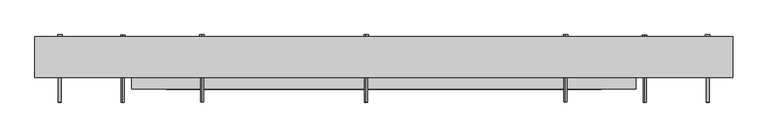
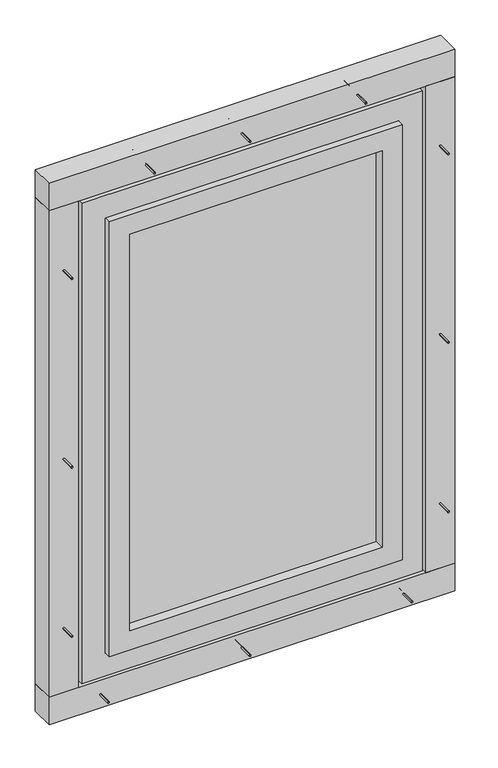
"""IFC4 building model written with IfcOpenShell, lengths in millimetres: proxy geometry."""

from ifc_helpers import new_model, si_unit, point, frame, frame_2d, origin, origin_with_axes, place, context, project, spatial, polyline, circle_curve, trimmed, segment, composite_curve, outline, extrude, source, transform, mapped, element, save


def generic_models_b8a904a8(model_context):
    return source(origin(), model_context, "Body", "SweptSolid", [
        extrude(outline(polyline([(-245.0, -35.0), (-245.0, -25.0), (495.0, -25.0), (495.0, -35.0), (-245.0, -35.0)])), frame((0.0, 0.0, 225.0), z_axis=(0.0, 0.0, 1.0), x_axis=(1.0, 0.0, 0.0)), (0.0, 0.0, 1.0), 1230.0),
        extrude(outline(polyline([(165.0, 555.0), (1515.0, 555.0), (1515.0, -305.0), (165.0, -305.0), (165.0, 555.0)]), holes=[polyline([(1455.0, 495.0), (225.0, 495.0), (225.0, -245.0), (1455.0, -245.0), (1455.0, 495.0)])]), frame((0.0, -65.0, 0.0), z_axis=(0.0, 1.0, 0.0), x_axis=(0.0, 0.0, 1.0)), (0.0, 0.0, 1.0), 70.0),
        extrude(outline(polyline([(95.0, 625.0), (1585.0, 625.0), (1585.0, -375.0), (95.0, -375.0), (95.0, 625.0)]), holes=[polyline([(1515.0, 555.0), (165.0, 555.0), (165.0, -305.0), (1515.0, -305.0), (1515.0, 555.0)])]), frame((0.0, -45.0, 0.0), z_axis=(0.0, 1.0, 0.0), x_axis=(0.0, 0.0, 1.0)), (0.0, 0.0, 1.0), 70.0),
        extrude(outline(composite_curve([segment(trimmed(circle_curve(frame_2d((125.0, -10.0)), 2.4700592), [point((125.0, -12.4700592))], [point((125.0, -7.5299408))], False, "CARTESIAN"), True, "CONTINUOUS"), segment(trimmed(circle_curve(frame_2d((125.0, -10.0)), 2.4700592), [point((125.0, -7.5299408))], [point((125.0, -12.4700592))], False, "CARTESIAN"), True, "CONTINUOUS")], self_intersect=False)), frame((0.0, 0.0, 25.0), z_axis=(0.0, 0.0, 1.0), x_axis=(1.0, 0.0, 0.0)), (0.0, 0.0, 1.0), 140.0),
        extrude(outline(composite_curve([segment(trimmed(circle_curve(frame_2d((125.0, -10.0)), 3.8), [point((125.0, -13.8))], [point((125.0, -6.2))], False, "CARTESIAN"), True, "CONTINUOUS"), segment(trimmed(circle_curve(frame_2d((125.0, -10.0)), 3.8), [point((125.0, -6.2))], [point((125.0, -13.8))], False, "CARTESIAN"), True, "CONTINUOUS")], self_intersect=False)), frame((0.0, 0.0, 165.0), z_axis=(0.0, 0.0, 1.0), x_axis=(1.0, 0.0, 0.0)), (0.0, 0.0, 1.0), 3.0),
        extrude(outline(composite_curve([segment(trimmed(circle_curve(frame_2d((42.5, 95.0)), 2.4700592), [point((44.9700592, 95.0))], [point((40.0299408, 95.0))], False, "CARTESIAN"), True, "CONTINUOUS"), segment(trimmed(circle_curve(frame_2d((42.5, 95.0)), 2.4700592), [point((40.0299408, 95.0))], [point((44.9700592, 95.0))], False, "CARTESIAN"), True, "CONTINUOUS")], self_intersect=False)), frame((0.0, -87.0, 0.0), z_axis=(0.0, 1.0, 0.0), x_axis=(0.0, 0.0, 1.0)), (0.0, 0.0, 1.0), 112.0),
        extrude(outline(composite_curve([segment(trimmed(circle_curve(frame_2d((42.5, 95.0)), 3.8), [point((46.3, 95.0))], [point((38.7, 95.0))], False, "CARTESIAN"), True, "CONTINUOUS"), segment(trimmed(circle_curve(frame_2d((42.5, 95.0)), 3.8), [point((38.7, 95.0))], [point((46.3, 95.0))], False, "CARTESIAN"), True, "CONTINUOUS")], self_intersect=False)), frame((0.0, 25.0, 0.0), z_axis=(0.0, 1.0, 0.0), x_axis=(0.0, 0.0, 1.0)), (0.0, 0.0, 1.0), 3.0),
        extrude(outline(composite_curve([segment(trimmed(circle_curve(frame_2d((42.5, -320.0)), 2.4700592), [point((44.9700592, -320.0))], [point((40.0299408, -320.0))], False, "CARTESIAN"), True, "CONTINUOUS"), segment(trimmed(circle_curve(frame_2d((42.5, -320.0)), 2.4700592), [point((40.0299408, -320.0))], [point((44.9700592, -320.0))], False, "CARTESIAN"), True, "CONTINUOUS")], self_intersect=False)), frame((0.0, -87.0, 0.0), z_axis=(0.0, 1.0, 0.0), x_axis=(0.0, 0.0, 1.0)), (0.0, 0.0, 1.0), 112.0),
        extrude(outline(composite_curve([segment(trimmed(circle_curve(frame_2d((42.5, -320.0)), 3.8), [point((46.3, -320.0))], [point((38.7, -320.0))], False, "CARTESIAN"), True, "CONTINUOUS"), segment(trimmed(circle_curve(frame_2d((42.5, -320.0)), 3.8), [point((38.7, -320.0))], [point((46.3, -320.0))], False, "CARTESIAN"), True, "CONTINUOUS")], self_intersect=False)), frame((0.0, 25.0, 0.0), z_axis=(0.0, 1.0, 0.0), x_axis=(0.0, 0.0, 1.0)), (0.0, 0.0, 1.0), 3.0),
        extrude(outline(composite_curve([segment(trimmed(circle_curve(frame_2d((42.5, 570.0)), 2.4700592), [point((44.9700592, 570.0))], [point((40.0299408, 570.0))], False, "CARTESIAN"), True, "CONTINUOUS"), segment(trimmed(circle_curve(frame_2d((42.5, 570.0)), 2.4700592), [point((40.0299408, 570.0))], [point((44.9700592, 570.0))], False, "CARTESIAN"), True, "CONTINUOUS")], self_intersect=False)), frame((0.0, -87.0, 0.0), z_axis=(0.0, 1.0, 0.0), x_axis=(0.0, 0.0, 1.0)), (0.0, 0.0, 1.0), 112.0),
        extrude(outline(composite_curve([segment(trimmed(circle_curve(frame_2d((42.5, 570.0)), 3.8), [point((46.3, 570.0))], [point((38.7, 570.0))], False, "CARTESIAN"), True, "CONTINUOUS"), segment(trimmed(circle_curve(frame_2d((42.5, 570.0)), 3.8), [point((38.7, 570.0))], [point((46.3, 570.0))], False, "CARTESIAN"), True, "CONTINUOUS")], self_intersect=False)), frame((0.0, 25.0, 0.0), z_axis=(0.0, 1.0, 0.0), x_axis=(0.0, 0.0, 1.0)), (0.0, 0.0, 1.0), 3.0),
        extrude(outline(polyline([(720.0, -45.0), (-470.0, -45.0), (-470.0, 25.0), (720.0, 25.0), (720.0, -45.0)])), origin_with_axes(), (0.0, 0.0, 1.0), 85.0),
        extrude(outline(composite_curve([segment(trimmed(circle_curve(frame_2d((-10.0, 315.0)), 2.4700592), [point((-12.4700592, 315.0))], [point((-7.5299408, 315.0))], False, "CARTESIAN"), True, "CONTINUOUS"), segment(trimmed(circle_curve(frame_2d((-10.0, 315.0)), 2.4700592), [point((-7.5299408, 315.0))], [point((-12.4700592, 315.0))], False, "CARTESIAN"), True, "CONTINUOUS")], self_intersect=False)), frame((-445.0, 0.0, 0.0), z_axis=(1.0, 0.0, 0.0), x_axis=(0.0, 1.0, 0.0)), (0.0, 0.0, 1.0), 140.0),
        extrude(outline(composite_curve([segment(trimmed(circle_curve(frame_2d((-10.0, 315.0)), 3.8), [point((-13.8, 315.0))], [point((-6.2, 315.0))], False, "CARTESIAN"), True, "CONTINUOUS"), segment(trimmed(circle_curve(frame_2d((-10.0, 315.0)), 3.8), [point((-6.2, 315.0))], [point((-13.8, 315.0))], False, "CARTESIAN"), True, "CONTINUOUS")], self_intersect=False)), frame((-305.0, 0.0, 0.0), z_axis=(1.0, 0.0, 0.0), x_axis=(0.0, 1.0, 0.0)), (0.0, 0.0, 1.0), 3.0),
        extrude(outline(composite_curve([segment(trimmed(circle_curve(frame_2d((-10.0, 1365.0)), 2.4700592), [point((-12.4700592, 1365.0))], [point((-7.5299408, 1365.0))], False, "CARTESIAN"), True, "CONTINUOUS"), segment(trimmed(circle_curve(frame_2d((-10.0, 1365.0)), 2.4700592), [point((-7.5299408, 1365.0))], [point((-12.4700592, 1365.0))], False, "CARTESIAN"), True, "CONTINUOUS")], self_intersect=False)), frame((-445.0, 0.0, 0.0), z_axis=(1.0, 0.0, 0.0), x_axis=(0.0, 1.0, 0.0)), (0.0, 0.0, 1.0), 140.0),
        extrude(outline(composite_curve([segment(trimmed(circle_curve(frame_2d((-10.0, 1365.0)), 3.8), [point((-13.8, 1365.0))], [point((-6.2, 1365.0))], False, "CARTESIAN"), True, "CONTINUOUS"), segment(trimmed(circle_curve(frame_2d((-10.0, 1365.0)), 3.8), [point((-6.2, 1365.0))], [point((-13.8, 1365.0))], False, "CARTESIAN"), True, "CONTINUOUS")], self_intersect=False)), frame((-305.0, 0.0, 0.0), z_axis=(1.0, 0.0, 0.0), x_axis=(0.0, 1.0, 0.0)), (0.0, 0.0, 1.0), 3.0),
        extrude(outline(composite_curve([segment(trimmed(circle_curve(frame_2d((810.0, -427.5)), 2.4700592), [point((810.0, -429.9700592))], [point((810.0, -425.0299408))], False, "CARTESIAN"), True, "CONTINUOUS"), segment(trimmed(circle_curve(frame_2d((810.0, -427.5)), 2.4700592), [point((810.0, -425.0299408))], [point((810.0, -429.9700592))], False, "CARTESIAN"), True, "CONTINUOUS")], self_intersect=False)), frame((0.0, -87.0, 0.0), z_axis=(0.0, 1.0, 0.0), x_axis=(0.0, 0.0, 1.0)), (0.0, 0.0, 1.0), 112.0),
        extrude(outline(composite_curve([segment(trimmed(circle_curve(frame_2d((810.0, -427.5)), 3.8), [point((810.0, -431.3))], [point((810.0, -423.7))], False, "CARTESIAN"), True, "CONTINUOUS"), segment(trimmed(circle_curve(frame_2d((810.0, -427.5)), 3.8), [point((810.0, -423.7))], [point((810.0, -431.3))], False, "CARTESIAN"), True, "CONTINUOUS")], self_intersect=False)), frame((0.0, 25.0, 0.0), z_axis=(0.0, 1.0, 0.0), x_axis=(0.0, 0.0, 1.0)), (0.0, 0.0, 1.0), 3.0),
        extrude(outline(composite_curve([segment(trimmed(circle_curve(frame_2d((-10.0, 840.0)), 2.4700592), [point((-12.4700592, 840.0))], [point((-7.5299408, 840.0))], False, "CARTESIAN"), True, "CONTINUOUS"), segment(trimmed(circle_curve(frame_2d((-10.0, 840.0)), 2.4700592), [point((-7.5299408, 840.0))], [point((-12.4700592, 840.0))], False, "CARTESIAN"), True, "CONTINUOUS")], self_intersect=False)), frame((-445.0, 0.0, 0.0), z_axis=(1.0, 0.0, 0.0), x_axis=(0.0, 1.0, 0.0)), (0.0, 0.0, 1.0), 140.0),
        extrude(outline(composite_curve([segment(trimmed(circle_curve(frame_2d((-10.0, 840.0)), 3.8), [point((-13.8, 840.0))], [point((-6.2, 840.0))], False, "CARTESIAN"), True, "CONTINUOUS"), segment(trimmed(circle_curve(frame_2d((-10.0, 840.0)), 3.8), [point((-6.2, 840.0))], [point((-13.8, 840.0))], False, "CARTESIAN"), True, "CONTINUOUS")], self_intersect=False)), frame((-305.0, 0.0, 0.0), z_axis=(1.0, 0.0, 0.0), x_axis=(0.0, 1.0, 0.0)), (0.0, 0.0, 1.0), 3.0),
        extrude(outline(composite_curve([segment(trimmed(circle_curve(frame_2d((1395.0, -427.5)), 2.4700592), [point((1395.0, -429.9700592))], [point((1395.0, -425.0299408))], False, "CARTESIAN"), True, "CONTINUOUS"), segment(trimmed(circle_curve(frame_2d((1395.0, -427.5)), 2.4700592), [point((1395.0, -425.0299408))], [point((1395.0, -429.9700592))], False, "CARTESIAN"), True, "CONTINUOUS")], self_intersect=False)), frame((0.0, -87.0, 0.0), z_axis=(0.0, 1.0, 0.0), x_axis=(0.0, 0.0, 1.0)), (0.0, 0.0, 1.0), 112.0),
        extrude(outline(composite_curve([segment(trimmed(circle_curve(frame_2d((1395.0, -427.5)), 3.8), [point((1395.0, -431.3))], [point((1395.0, -423.7))], False, "CARTESIAN"), True, "CONTINUOUS"), segment(trimmed(circle_curve(frame_2d((1395.0, -427.5)), 3.8), [point((1395.0, -423.7))], [point((1395.0, -431.3))], False, "CARTESIAN"), True, "CONTINUOUS")], self_intersect=False)), frame((0.0, 25.0, 0.0), z_axis=(0.0, 1.0, 0.0), x_axis=(0.0, 0.0, 1.0)), (0.0, 0.0, 1.0), 3.0),
        extrude(outline(composite_curve([segment(trimmed(circle_curve(frame_2d((285.0, -427.5)), 2.4700592), [point((285.0, -429.9700592))], [point((285.0, -425.0299408))], False, "CARTESIAN"), True, "CONTINUOUS"), segment(trimmed(circle_curve(frame_2d((285.0, -427.5)), 2.4700592), [point((285.0, -425.0299408))], [point((285.0, -429.9700592))], False, "CARTESIAN"), True, "CONTINUOUS")], self_intersect=False)), frame((0.0, -87.0, 0.0), z_axis=(0.0, 1.0, 0.0), x_axis=(0.0, 0.0, 1.0)), (0.0, 0.0, 1.0), 112.0),
        extrude(outline(composite_curve([segment(trimmed(circle_curve(frame_2d((285.0, -427.5)), 3.8), [point((285.0, -431.3))], [point((285.0, -423.7))], False, "CARTESIAN"), True, "CONTINUOUS"), segment(trimmed(circle_curve(frame_2d((285.0, -427.5)), 3.8), [point((285.0, -423.7))], [point((285.0, -431.3))], False, "CARTESIAN"), True, "CONTINUOUS")], self_intersect=False)), frame((0.0, 25.0, 0.0), z_axis=(0.0, 1.0, 0.0), x_axis=(0.0, 0.0, 1.0)), (0.0, 0.0, 1.0), 3.0),
        extrude(outline(polyline([(-470.0, -45.0), (-470.0, 25.0), (-385.0, 25.0), (-385.0, -45.0), (-470.0, -45.0)])), frame((0.0, 0.0, 85.0), z_axis=(0.0, 0.0, 1.0), x_axis=(1.0, 0.0, 0.0)), (0.0, 0.0, 1.0), 1510.0),
        extrude(outline(composite_curve([segment(trimmed(circle_curve(frame_2d((-10.0, 315.0)), 2.4700592), [point((-12.4700592, 315.0))], [point((-7.5299408, 315.0))], False, "CARTESIAN"), True, "CONTINUOUS"), segment(trimmed(circle_curve(frame_2d((-10.0, 315.0)), 2.4700592), [point((-7.5299408, 315.0))], [point((-12.4700592, 315.0))], False, "CARTESIAN"), True, "CONTINUOUS")], self_intersect=False)), frame((555.0, 0.0, 0.0), z_axis=(1.0, 0.0, 0.0), x_axis=(0.0, 1.0, 0.0)), (0.0, 0.0, 1.0), 140.0),
        extrude(outline(composite_curve([segment(trimmed(circle_curve(frame_2d((-10.0, 315.0)), 3.8), [point((-13.8, 315.0))], [point((-6.2, 315.0))], False, "CARTESIAN"), True, "CONTINUOUS"), segment(trimmed(circle_curve(frame_2d((-10.0, 315.0)), 3.8), [point((-6.2, 315.0))], [point((-13.8, 315.0))], False, "CARTESIAN"), True, "CONTINUOUS")], self_intersect=False)), frame((552.0, 0.0, 0.0), z_axis=(1.0, 0.0, 0.0), x_axis=(0.0, 1.0, 0.0)), (0.0, 0.0, 1.0), 3.0),
        extrude(outline(composite_curve([segment(trimmed(circle_curve(frame_2d((-10.0, 1365.0)), 2.4700592), [point((-12.4700592, 1365.0))], [point((-7.5299408, 1365.0))], False, "CARTESIAN"), True, "CONTINUOUS"), segment(trimmed(circle_curve(frame_2d((-10.0, 1365.0)), 2.4700592), [point((-7.5299408, 1365.0))], [point((-12.4700592, 1365.0))], False, "CARTESIAN"), True, "CONTINUOUS")], self_intersect=False)), frame((555.0, 0.0, 0.0), z_axis=(1.0, 0.0, 0.0), x_axis=(0.0, 1.0, 0.0)), (0.0, 0.0, 1.0), 140.0),
        extrude(outline(composite_curve([segment(trimmed(circle_curve(frame_2d((-10.0, 1365.0)), 3.8), [point((-13.8, 1365.0))], [point((-6.2, 1365.0))], False, "CARTESIAN"), True, "CONTINUOUS"), segment(trimmed(circle_curve(frame_2d((-10.0, 1365.0)), 3.8), [point((-6.2, 1365.0))], [point((-13.8, 1365.0))], False, "CARTESIAN"), True, "CONTINUOUS")], self_intersect=False)), frame((552.0, 0.0, 0.0), z_axis=(1.0, 0.0, 0.0), x_axis=(0.0, 1.0, 0.0)), (0.0, 0.0, 1.0), 3.0),
        extrude(outline(composite_curve([segment(trimmed(circle_curve(frame_2d((810.0, 677.5)), 2.4700592), [point((810.0, 679.9700592))], [point((810.0, 675.0299408))], False, "CARTESIAN"), True, "CONTINUOUS"), segment(trimmed(circle_curve(frame_2d((810.0, 677.5)), 2.4700592), [point((810.0, 675.0299408))], [point((810.0, 679.9700592))], False, "CARTESIAN"), True, "CONTINUOUS")], self_intersect=False)), frame((0.0, -87.0, 0.0), z_axis=(0.0, 1.0, 0.0), x_axis=(0.0, 0.0, 1.0)), (0.0, 0.0, 1.0), 112.0),
        extrude(outline(composite_curve([segment(trimmed(circle_curve(frame_2d((810.0, 677.5)), 3.8), [point((810.0, 681.3))], [point((810.0, 673.7))], False, "CARTESIAN"), True, "CONTINUOUS"), segment(trimmed(circle_curve(frame_2d((810.0, 677.5)), 3.8), [point((810.0, 673.7))], [point((810.0, 681.3))], False, "CARTESIAN"), True, "CONTINUOUS")], self_intersect=False)), frame((0.0, 25.0, 0.0), z_axis=(0.0, 1.0, 0.0), x_axis=(0.0, 0.0, 1.0)), (0.0, 0.0, 1.0), 3.0),
        extrude(outline(composite_curve([segment(trimmed(circle_curve(frame_2d((-10.0, 840.0)), 2.4700592), [point((-12.4700592, 840.0))], [point((-7.5299408, 840.0))], False, "CARTESIAN"), True, "CONTINUOUS"), segment(trimmed(circle_curve(frame_2d((-10.0, 840.0)), 2.4700592), [point((-7.5299408, 840.0))], [point((-12.4700592, 840.0))], False, "CARTESIAN"), True, "CONTINUOUS")], self_intersect=False)), frame((555.0, 0.0, 0.0), z_axis=(1.0, 0.0, 0.0), x_axis=(0.0, 1.0, 0.0)), (0.0, 0.0, 1.0), 140.0),
        extrude(outline(composite_curve([segment(trimmed(circle_curve(frame_2d((-10.0, 840.0)), 3.8), [point((-13.8, 840.0))], [point((-6.2, 840.0))], False, "CARTESIAN"), True, "CONTINUOUS"), segment(trimmed(circle_curve(frame_2d((-10.0, 840.0)), 3.8), [point((-6.2, 840.0))], [point((-13.8, 840.0))], False, "CARTESIAN"), True, "CONTINUOUS")], self_intersect=False)), frame((552.0, 0.0, 0.0), z_axis=(1.0, 0.0, 0.0), x_axis=(0.0, 1.0, 0.0)), (0.0, 0.0, 1.0), 3.0),
        extrude(outline(composite_curve([segment(trimmed(circle_curve(frame_2d((1395.0, 677.5)), 2.4700592), [point((1395.0, 679.9700592))], [point((1395.0, 675.0299408))], False, "CARTESIAN"), True, "CONTINUOUS"), segment(trimmed(circle_curve(frame_2d((1395.0, 677.5)), 2.4700592), [point((1395.0, 675.0299408))], [point((1395.0, 679.9700592))], False, "CARTESIAN"), True, "CONTINUOUS")], self_intersect=False)), frame((0.0, -87.0, 0.0), z_axis=(0.0, 1.0, 0.0), x_axis=(0.0, 0.0, 1.0)), (0.0, 0.0, 1.0), 112.0),
        extrude(outline(composite_curve([segment(trimmed(circle_curve(frame_2d((1395.0, 677.5)), 3.8), [point((1395.0, 681.3))], [point((1395.0, 673.7))], False, "CARTESIAN"), True, "CONTINUOUS"), segment(trimmed(circle_curve(frame_2d((1395.0, 677.5)), 3.8), [point((1395.0, 673.7))], [point((1395.0, 681.3))], False, "CARTESIAN"), True, "CONTINUOUS")], self_intersect=False)), frame((0.0, 25.0, 0.0), z_axis=(0.0, 1.0, 0.0), x_axis=(0.0, 0.0, 1.0)), (0.0, 0.0, 1.0), 3.0),
        extrude(outline(composite_curve([segment(trimmed(circle_curve(frame_2d((285.0, 677.5)), 2.4700592), [point((285.0, 679.9700592))], [point((285.0, 675.0299408))], False, "CARTESIAN"), True, "CONTINUOUS"), segment(trimmed(circle_curve(frame_2d((285.0, 677.5)), 2.4700592), [point((285.0, 675.0299408))], [point((285.0, 679.9700592))], False, "CARTESIAN"), True, "CONTINUOUS")], self_intersect=False)), frame((0.0, -87.0, 0.0), z_axis=(0.0, 1.0, 0.0), x_axis=(0.0, 0.0, 1.0)), (0.0, 0.0, 1.0), 112.0),
        extrude(outline(composite_curve([segment(trimmed(circle_curve(frame_2d((285.0, 677.5)), 3.8), [point((285.0, 681.3))], [point((285.0, 673.7))], False, "CARTESIAN"), True, "CONTINUOUS"), segment(trimmed(circle_curve(frame_2d((285.0, 677.5)), 3.8), [point((285.0, 673.7))], [point((285.0, 681.3))], False, "CARTESIAN"), True, "CONTINUOUS")], self_intersect=False)), frame((0.0, 25.0, 0.0), z_axis=(0.0, 1.0, 0.0), x_axis=(0.0, 0.0, 1.0)), (0.0, 0.0, 1.0), 3.0),
        extrude(outline(polyline([(720.0, -45.0), (635.0, -45.0), (635.0, 25.0), (720.0, 25.0), (720.0, -45.0)])), frame((0.0, 0.0, 85.0), z_axis=(0.0, 0.0, 1.0), x_axis=(1.0, 0.0, 0.0)), (0.0, 0.0, 1.0), 1510.0),
        extrude(outline(composite_curve([segment(trimmed(circle_curve(frame_2d((1637.5, 95.0)), 2.4700592), [point((1639.9700592, 95.0))], [point((1635.0299408, 95.0))], False, "CARTESIAN"), True, "CONTINUOUS"), segment(trimmed(circle_curve(frame_2d((1637.5, 95.0)), 2.4700592), [point((1635.0299408, 95.0))], [point((1639.9700592, 95.0))], False, "CARTESIAN"), True, "CONTINUOUS")], self_intersect=False)), frame((0.0, -87.0, 0.0), z_axis=(0.0, 1.0, 0.0), x_axis=(0.0, 0.0, 1.0)), (0.0, 0.0, 1.0), 112.0),
        extrude(outline(composite_curve([segment(trimmed(circle_curve(frame_2d((1637.5, 95.0)), 3.8), [point((1641.3, 95.0))], [point((1633.7, 95.0))], False, "CARTESIAN"), True, "CONTINUOUS"), segment(trimmed(circle_curve(frame_2d((1637.5, 95.0)), 3.8), [point((1633.7, 95.0))], [point((1641.3, 95.0))], False, "CARTESIAN"), True, "CONTINUOUS")], self_intersect=False)), frame((0.0, 25.0, 0.0), z_axis=(0.0, 1.0, 0.0), x_axis=(0.0, 0.0, 1.0)), (0.0, 0.0, 1.0), 3.0),
        extrude(outline(composite_curve([segment(trimmed(circle_curve(frame_2d((125.0, -10.0)), 2.4700592), [point((125.0, -12.4700592))], [point((125.0, -7.5299408))], False, "CARTESIAN"), True, "CONTINUOUS"), segment(trimmed(circle_curve(frame_2d((125.0, -10.0)), 2.4700592), [point((125.0, -7.5299408))], [point((125.0, -12.4700592))], False, "CARTESIAN"), True, "CONTINUOUS")], self_intersect=False)), frame((0.0, 0.0, 1515.0), z_axis=(0.0, 0.0, 1.0), x_axis=(1.0, 0.0, 0.0)), (0.0, 0.0, 1.0), 140.0),
        extrude(outline(composite_curve([segment(trimmed(circle_curve(frame_2d((125.0, -10.0)), 3.8), [point((125.0, -13.8))], [point((125.0, -6.2))], False, "CARTESIAN"), True, "CONTINUOUS"), segment(trimmed(circle_curve(frame_2d((125.0, -10.0)), 3.8), [point((125.0, -6.2))], [point((125.0, -13.8))], False, "CARTESIAN"), True, "CONTINUOUS")], self_intersect=False)), frame((0.0, 0.0, 1512.0), z_axis=(0.0, 0.0, 1.0), x_axis=(1.0, 0.0, 0.0)), (0.0, 0.0, 1.0), 3.0),
        extrude(outline(composite_curve([segment(trimmed(circle_curve(frame_2d((1637.5, -185.0)), 2.4700592), [point((1639.9700592, -185.0))], [point((1635.0299408, -185.0))], False, "CARTESIAN"), True, "CONTINUOUS"), segment(trimmed(circle_curve(frame_2d((1637.5, -185.0)), 2.4700592), [point((1635.0299408, -185.0))], [point((1639.9700592, -185.0))], False, "CARTESIAN"), True, "CONTINUOUS")], self_intersect=False)), frame((0.0, -87.0, 0.0), z_axis=(0.0, 1.0, 0.0), x_axis=(0.0, 0.0, 1.0)), (0.0, 0.0, 1.0), 112.0),
        extrude(outline(composite_curve([segment(trimmed(circle_curve(frame_2d((1637.5, -185.0)), 3.8), [point((1641.3, -185.0))], [point((1633.7, -185.0))], False, "CARTESIAN"), True, "CONTINUOUS"), segment(trimmed(circle_curve(frame_2d((1637.5, -185.0)), 3.8), [point((1633.7, -185.0))], [point((1641.3, -185.0))], False, "CARTESIAN"), True, "CONTINUOUS")], self_intersect=False)), frame((0.0, 25.0, 0.0), z_axis=(0.0, 1.0, 0.0), x_axis=(0.0, 0.0, 1.0)), (0.0, 0.0, 1.0), 3.0),
        extrude(outline(composite_curve([segment(trimmed(circle_curve(frame_2d((1637.5, 435.0)), 2.4700592), [point((1639.9700592, 435.0))], [point((1635.0299408, 435.0))], False, "CARTESIAN"), True, "CONTINUOUS"), segment(trimmed(circle_curve(frame_2d((1637.5, 435.0)), 2.4700592), [point((1635.0299408, 435.0))], [point((1639.9700592, 435.0))], False, "CARTESIAN"), True, "CONTINUOUS")], self_intersect=False)), frame((0.0, -87.0, 0.0), z_axis=(0.0, 1.0, 0.0), x_axis=(0.0, 0.0, 1.0)), (0.0, 0.0, 1.0), 112.0),
        extrude(outline(composite_curve([segment(trimmed(circle_curve(frame_2d((1637.5, 435.0)), 3.8), [point((1641.3, 435.0))], [point((1633.7, 435.0))], False, "CARTESIAN"), True, "CONTINUOUS"), segment(trimmed(circle_curve(frame_2d((1637.5, 435.0)), 3.8), [point((1633.7, 435.0))], [point((1641.3, 435.0))], False, "CARTESIAN"), True, "CONTINUOUS")], self_intersect=False)), frame((0.0, 25.0, 0.0), z_axis=(0.0, 1.0, 0.0), x_axis=(0.0, 0.0, 1.0)), (0.0, 0.0, 1.0), 3.0),
        extrude(outline(polyline([(720.0, -45.0), (-470.0, -45.0), (-470.0, 25.0), (720.0, 25.0), (720.0, -45.0)])), frame((0.0, 0.0, 1595.0), z_axis=(0.0, 0.0, 1.0), x_axis=(1.0, 0.0, 0.0)), (0.0, 0.0, 1.0), 85.0),
    ])


if __name__ == "__main__":
    model = new_model("IFC4")
    model_context = context("Model", 3, world=origin())
    ifc_project = project(units=[si_unit("LENGTHUNIT", "METRE", prefix="MILLI")], contexts=[model_context])
    site = spatial("IfcSite", under=ifc_project)
    building = spatial("IfcBuilding", under=site)
    placement = place(None, origin())
    generic_models_shape = generic_models_b8a904a8(model_context)
    element("IfcBuildingElementProxy", 1, Name="Generic Models", at=placement, inside=building, context=model_context, shape_type="MappedRepresentation", body=[
        mapped(generic_models_shape, transform((0.0, 0.0, 0.0), x_axis=(1.0, 0.0, 0.0), y_axis=(0.0, 1.0, 0.0), z_axis=(0.0, 0.0, 1.0))),
    ])
    save(model, "model.ifc")
